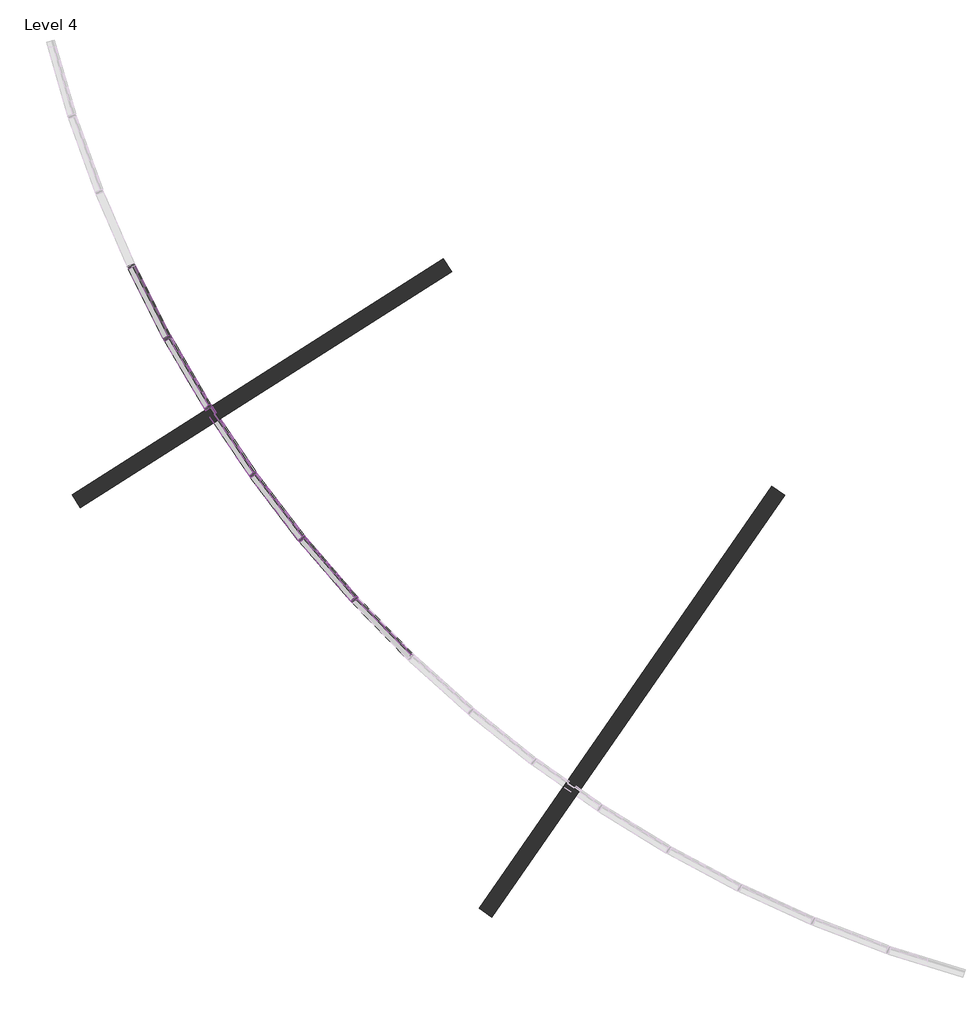
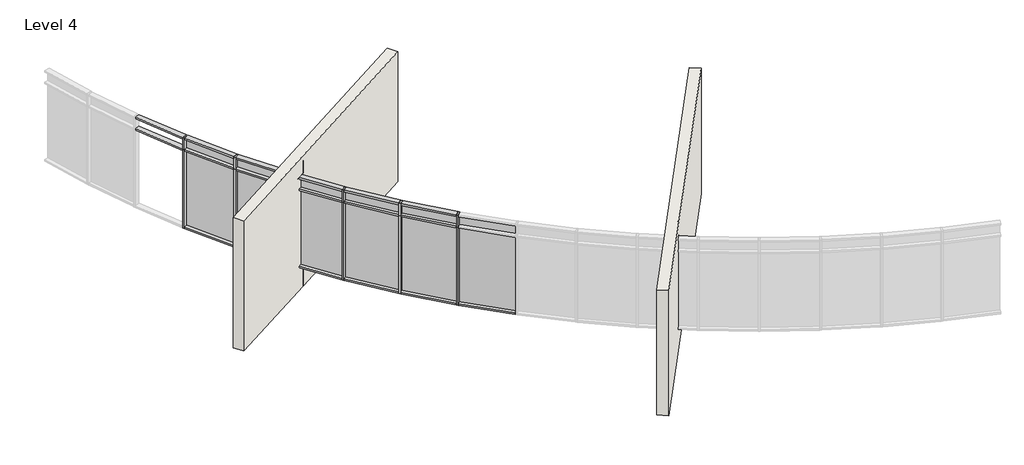
"""IFC4 building model written with IfcOpenShell, lengths in millimetres."""

import ifcopenshell
import ifcopenshell.guid

model = None  # the IFC model being written
_history = None  # IfcOwnerHistory: only IFC2X3 demands one
_inside = {}  # id of a spatial element -> (the spatial element, [elements in it])
_under = {}  # id of a project, library or spatial element -> (it, [spatial elements below it])
_declared = {}  # id of a project -> (the project, [libraries it declares])
_typed = {}  # id of a type object -> (the type object, [elements of that type])
_made_of = {}  # id of a material, layer set ... -> (it, [elements and type objects made of it])


def new_model(schema):
    """Start an empty IFC model of exactly this schema.

    Asked for "IFC4X3", IfcOpenShell would pick the latest addendum, in which some entities
    have other attributes; the version numbers below select the first issue.
    IFC2X3 requires an IfcOwnerHistory on every rooted entity: one is made here for all.
    """
    global model, _history
    if schema == "IFC4X3":
        model = ifcopenshell.file(schema_version=(4, 3, 0, 0))
    else:
        model = ifcopenshell.file(schema=schema)
    _inside.clear()
    _under.clear()
    _declared.clear()
    _typed.clear()
    _made_of.clear()
    _history = None
    if model.schema == "IFC2X3":
        org = make("IfcOrganization", Name="unknown")
        user = make(
            "IfcPersonAndOrganization",
            ThePerson=make("IfcPerson", FamilyName="unknown"),
            TheOrganization=org,
        )
        app = make(
            "IfcApplication",
            ApplicationDeveloper=org,
            Version="unknown",
            ApplicationFullName="unknown",
            ApplicationIdentifier="unknown",
        )
        _history = make(
            "IfcOwnerHistory",
            OwningUser=user,
            OwningApplication=app,
            ChangeAction="ADDED",
            CreationDate=0,
        )
    return model


def make(cls, **values):
    """One entity of the class cls with the attributes given. An attribute that is None is left unset."""
    return model.create_entity(
        cls, **{name: value for name, value in values.items() if value is not None}
    )


def rooted(cls, **values):
    """An entity with a GlobalId (a new one), such as an element, a storey or a relation."""
    return make(cls, GlobalId=ifcopenshell.guid.new(), OwnerHistory=_history, **values)


def si_unit(unit_type, name, prefix=None):
    """IfcSIUnit, for example si_unit("LENGTHUNIT", "METRE", prefix="MILLI")."""
    return make("IfcSIUnit", UnitType=unit_type, Prefix=prefix, Name=name)


def assignment(units):
    """IfcUnitAssignment: the units of a project."""
    return None if units is None else make("IfcUnitAssignment", Units=units)


def point(xyz):
    """IfcCartesianPoint."""
    return None if xyz is None else make("IfcCartesianPoint", Coordinates=xyz)


def direction(xyz):
    """IfcDirection."""
    return None if xyz is None else make("IfcDirection", DirectionRatios=xyz)


def frame(location, z_axis=None, x_axis=None):
    """IfcAxis2Placement3D, a coordinate frame: its origin and axes. An axis left out is left unset."""
    return make(
        "IfcAxis2Placement3D",
        Location=point(location),
        Axis=direction(z_axis),
        RefDirection=direction(x_axis),
    )


def origin():
    """The frame at (0, 0, 0) with its axes left unset."""
    return frame((0.0, 0.0, 0.0))


def origin_with_axes():
    """The frame at (0, 0, 0) with the z axis (0, 0, 1) and the x axis (1, 0, 0) written out."""
    return frame((0.0, 0.0, 0.0), z_axis=(0.0, 0.0, 1.0), x_axis=(1.0, 0.0, 0.0))


def place(relative_to, where):
    """IfcLocalPlacement: puts the frame where relative to a parent placement (None: the world)."""
    return make(
        "IfcLocalPlacement", PlacementRelTo=relative_to, RelativePlacement=where
    )


def context(
    kind, dimensions, precision=None, world=None, true_north=None, identifier=None
):
    """IfcGeometricRepresentationContext, for example the 3D "Model" context."""
    return make(
        "IfcGeometricRepresentationContext",
        ContextIdentifier=identifier,
        ContextType=kind,
        CoordinateSpaceDimension=dimensions,
        Precision=precision,
        WorldCoordinateSystem=world,
        TrueNorth=true_north,
    )


def project(units=None, contexts=None):
    """IfcProject with its units and contexts."""
    return rooted(
        "IfcProject",
        Name="project",
        RepresentationContexts=contexts,
        UnitsInContext=assignment(units),
    )


def spatial(cls, under=None, at=None, **own):
    """A site, building, storey or space (cls), placed at a placement, below another one or the project."""
    s = rooted(cls, ObjectPlacement=at, **own)
    if under is not None:
        _under.setdefault(under.id(), (under, []))[1].append(s)
    return s


def polyline(points):
    """IfcPolyline through the points."""
    return make("IfcPolyline", Points=[point(p) for p in points])


def circle_curve(where, radius):
    """IfcCircle in the frame where."""
    return make("IfcCircle", Position=where, Radius=radius)


def outline(outer, holes=None, kind="AREA"):
    """IfcArbitraryClosedProfileDef: a profile drawn as a closed curve; with holes, ...WithVoids."""
    if holes is None:
        return make("IfcArbitraryClosedProfileDef", ProfileType=kind, OuterCurve=outer)
    return make(
        "IfcArbitraryProfileDefWithVoids",
        ProfileType=kind,
        OuterCurve=outer,
        InnerCurves=holes,
    )


def extrude(swept, where, along, depth):
    """IfcExtrudedAreaSolid: the profile swept, set in the frame where, extruded along a direction by depth."""
    return make(
        "IfcExtrudedAreaSolid",
        SweptArea=swept,
        Position=where,
        ExtrudedDirection=direction(along),
        Depth=depth,
    )


def faces_of(points, faces, orient=None, outer=None):
    """IfcFace entities. A face is a list of loops; a loop is a list of indices into points, from 0.

    orient and outer hold one flag for each loop. By default every Orientation is true, the
    first loop of a face is its IfcFaceOuterBound and the others are IfcFaceBound.
    """
    made = []
    for i, loops in enumerate(faces):
        bounds = []
        for j, loop in enumerate(loops):
            is_outer = j == 0 if outer is None else outer[i][j]
            bounds.append(
                make(
                    "IfcFaceOuterBound" if is_outer else "IfcFaceBound",
                    Bound=make("IfcPolyLoop", Polygon=[points[k] for k in loop]),
                    Orientation=True if orient is None else orient[i][j],
                )
            )
        made.append(make("IfcFace", Bounds=bounds))
    return made


def faceted_brep(points, faces, orient=None, outer=None, voids=None):
    """IfcFacetedBrep: a solid bounded by flat faces; with voids (closed shells), ...WithVoids."""
    shared = [point(p) for p in points]
    hull = make("IfcClosedShell", CfsFaces=faces_of(shared, faces, orient, outer))
    if voids is None:
        return make("IfcFacetedBrep", Outer=hull)
    return make(
        "IfcFacetedBrepWithVoids",
        Outer=hull,
        Voids=[
            make(cls, CfsFaces=faces_of(shared, fs, o, b)) for cls, fs, o, b in voids
        ],
    )


def shape(context_of_items, identifier, shape_type, items):
    """IfcShapeRepresentation: the items that make up one representation, for example the "Body"."""
    return make(
        "IfcShapeRepresentation",
        ContextOfItems=context_of_items,
        RepresentationIdentifier=identifier,
        RepresentationType=shape_type,
        Items=items,
    )


def source(mapping_origin, context_of_items, identifier, shape_type, items):
    """IfcRepresentationMap: a shape defined once, which mapped items show again and again."""
    return make(
        "IfcRepresentationMap",
        MappingOrigin=mapping_origin,
        MappedRepresentation=shape(context_of_items, identifier, shape_type, items),
    )


def transform(
    local_origin,
    x_axis=None,
    y_axis=None,
    z_axis=None,
    scale=None,
    scale2=None,
    scale3=None,
    uniform=True,
):
    """IfcCartesianTransformationOperator3D, or its non-uniform kind. x_axis, y_axis, z_axis: its Axis1, 2, 3."""
    if uniform:
        return make(
            "IfcCartesianTransformationOperator3D",
            Axis1=direction(x_axis),
            Axis2=direction(y_axis),
            LocalOrigin=point(local_origin),
            Scale=scale,
            Axis3=direction(z_axis),
        )
    return make(
        "IfcCartesianTransformationOperator3DnonUniform",
        Axis1=direction(x_axis),
        Axis2=direction(y_axis),
        LocalOrigin=point(local_origin),
        Scale=scale,
        Axis3=direction(z_axis),
        Scale2=scale2,
        Scale3=scale3,
    )


def mapped(mapping_source, mapping_target):
    """IfcMappedItem: shows the shape of a source again, moved by a transform."""
    return make(
        "IfcMappedItem", MappingSource=mapping_source, MappingTarget=mapping_target
    )


def made_of(thing, what):
    """Note that an element or type object is made of a material, layer set ...; save() writes the relation."""
    if what is not None:
        _made_of.setdefault(what.id(), (what, []))[1].append(thing)
    return thing


def element(
    cls,
    number,
    at=None,
    inside=None,
    cuts=None,
    type_object=None,
    material=None,
    context=None,
    identifier="Body",
    shape_type=None,
    held_by="IfcProductDefinitionShape",
    body=None,
    shapes=None,
    **own,
):
    """One element of the class cls, such as IfcWall. Its Tag is "e" and its number.

    at: its placement. inside: the storey or other place that contains it. cuts: it is an
    opening in that element (IfcRelVoidsElement). A single representation is given by context,
    identifier, shape_type and body (its items); several are given by shapes. held_by: the class
    of the entity that holds the representations. save() writes the other relations.
    """
    e = rooted(cls, Tag="e%d" % number, ObjectPlacement=at, **own)
    if body is not None:
        shapes = [shape(context, identifier, shape_type, body)]
    if shapes is not None:
        e.Representation = make(held_by, Representations=shapes)
    if inside is not None:
        _inside.setdefault(inside.id(), (inside, []))[1].append(e)
    if cuts is not None:
        rooted(
            "IfcRelVoidsElement", RelatingBuildingElement=cuts, RelatedOpeningElement=e
        )
    if type_object is not None:
        _typed.setdefault(type_object.id(), (type_object, []))[1].append(e)
    return made_of(e, material)


def aggregate(whole, parts):
    """IfcRelAggregates: a whole, such as a stair, and the parts it consists of."""
    return rooted("IfcRelAggregates", RelatingObject=whole, RelatedObjects=parts)


def save(model, path):
    """Write the relations noted so far, then the file.

    IfcRelAggregates (storeys below a building ...), IfcRelContainedInSpatialStructure (elements
    in a storey), IfcRelDefinesByType, IfcRelAssociatesMaterial and IfcRelDeclares: one each for
    every whole, place, type object, material and project.
    """
    for whole, parts in _under.values():
        aggregate(whole, parts)
    for where, things in _inside.values():
        rooted(
            "IfcRelContainedInSpatialStructure",
            RelatedElements=things,
            RelatingStructure=where,
        )
    for kind, things in _typed.values():
        rooted("IfcRelDefinesByType", RelatedObjects=things, RelatingType=kind)
    for what, things in _made_of.values():
        rooted("IfcRelAssociatesMaterial", RelatedObjects=things, RelatingMaterial=what)
    for by, libraries in _declared.values():
        rooted("IfcRelDeclares", RelatingContext=by, RelatedDefinitions=libraries)
    model.write(path)


def plane_surface(at):
    """IfcPlane: the flat surface through the origin of the frame at, square to its z axis."""
    return make("IfcPlane", Position=at)


def cylinder_surface(at, radius):
    """IfcCylindricalSurface: all points at the distance radius from the z axis of the frame at."""
    return make("IfcCylindricalSurface", Position=at, Radius=radius)


def revolved_surface(curve, axis_point, axis_direction):
    """IfcSurfaceOfRevolution: the curve turned about the line through axis_point along axis_direction."""
    return make(
        "IfcSurfaceOfRevolution",
        SweptCurve=make("IfcArbitraryOpenProfileDef", ProfileType="CURVE", Curve=curve),
        AxisPosition=make("IfcAxis1Placement", Location=point(axis_point), Axis=direction(axis_direction)),
    )


def advanced_brep(points, edges, surfaces, faces):
    """IfcAdvancedBrep: a solid bounded by faces that lie on surfaces and meet in shared edges.

    An edge is (start, end): straight between two places in points (the first is 0);
    or (start, end, curve); or (start, end, curve, False) where it runs against its curve.
    A face is (place in surfaces, loops), or (place, loops, False) where it looks against
    its surface's normal. A loop lists edges by number (the first is 1), with a minus sign
    where the edge is run from its end to its start. The first loop is the outer one.
    """
    corners = [point(p) for p in points]
    vertices = [make("IfcVertexPoint", VertexGeometry=c) for c in corners]
    made = []
    for start, end, *more in edges:
        made.append(
            make(
                "IfcEdgeCurve",
                EdgeStart=vertices[start],
                EdgeEnd=vertices[end],
                EdgeGeometry=more[0] if more else make("IfcPolyline", Points=[corners[start], corners[end]]),
                SameSense=more[1] if len(more) > 1 else True,
            )
        )
    hull = []
    for where, loops, *sense in faces:
        bounds = []
        for j, loop in enumerate(loops):
            ring = [make("IfcOrientedEdge", EdgeElement=made[abs(k) - 1], Orientation=k > 0) for k in loop]
            bounds.append(
                make(
                    "IfcFaceOuterBound" if j == 0 else "IfcFaceBound",
                    Bound=make("IfcEdgeLoop", EdgeList=ring),
                    Orientation=True,
                )
            )
        hull.append(make("IfcAdvancedFace", Bounds=bounds, FaceSurface=surfaces[where], SameSense=sense[0] if sense else True))
    return make("IfcAdvancedBrep", Outer=make("IfcClosedShell", CfsFaces=hull))


def rectangular_mullion_50_x_150mm_6225e4e3(model_context):
    return source(origin(), model_context, "Body", "SweptSolid", [
        extrude(outline(polyline([(25.0, 75.0), (25.0, -75.0), (-25.0, -75.0), (-25.0, 75.0), (25.0, 75.0)])), frame((0.0, 0.0, -2400.0), z_axis=(0.0, 0.0, 1.0), x_axis=(1.0, 0.0, 0.0)), (0.0, 0.0, 1.0), 2400.0),
    ])


def rectangular_mullion_50_x_150mm_5f8c5138(model_context):
    return source(origin(), model_context, "Body", "SweptSolid", [
        extrude(outline(polyline([(0.0, 75.0), (0.0, -75.0), (-50.0, -75.0), (-50.0, 75.0), (0.0, 75.0)])), frame((0.0, 0.0, -1486.638566), z_axis=(0.0, 0.0, 1.0), x_axis=(1.0, 0.0, 0.0)), (0.0, 0.0, 1.0), 1486.638566),
    ])


def rectangular_mullion_50_x_150mm_aa73aa68(model_context):
    return source(origin(), model_context, "Body", "SweptSolid", [
        extrude(outline(polyline([(25.0, 75.0), (25.0, -75.0), (-25.0, -75.0), (-25.0, 75.0), (25.0, 75.0)])), frame((0.0, 0.0, -1486.638566), z_axis=(0.0, 0.0, 1.0), x_axis=(1.0, 0.0, 0.0)), (0.0, 0.0, 1.0), 1486.638566),
    ])


def rectangular_mullion_50_x_150mm_8e968590(model_context):
    return source(origin(), model_context, "Body", "SweptSolid", [
        extrude(outline(polyline([(25.0, 75.0), (25.0, -75.0), (-25.0, -75.0), (-25.0, 75.0), (25.0, 75.0)])), frame((0.0, 0.0, -377.1504642), z_axis=(0.0, 0.0, 1.0), x_axis=(1.0, 0.0, 0.0)), (0.0, 0.0, 1.0), 377.1504642),
    ])


def system_panel_glazed_01d78c24(model_context):
    return source(origin(), model_context, "Body", "SweptSolid", [
        extrude(outline(polyline([(743.319283, 24.5), (-743.319283, 24.5), (-743.319283, 49.5), (743.319283, 49.5), (743.319283, 24.5)])), origin_with_axes(), (0.0, 0.0, 1.0), 2325.0),
    ])


def system_panel_glazed_a4027662(model_context):
    return source(origin(), model_context, "Body", "SweptSolid", [
        extrude(outline(polyline([(743.319283, 24.5), (-743.319283, 24.5), (-743.319283, 49.5), (743.319283, 49.5), (743.319283, 24.5)])), origin_with_axes(), (0.0, 0.0, 1.0), 302.1504642),
    ])


model = new_model("IFC4")

# Units and contexts
model_context = context("Model", 3, world=origin())
ifc_project = project(units=[si_unit("LENGTHUNIT", "METRE", prefix="MILLI")], contexts=[model_context])

# Site, building, storey
site = spatial("IfcSite", under=ifc_project)
building = spatial("IfcBuilding", under=site)
storey = spatial("IfcBuildingStorey", under=building, Name="Level 4", Elevation=10600.0)

# Members
placement = place(None, origin())
rectangular_mullion_50_x_150mm_shape = rectangular_mullion_50_x_150mm_6225e4e3(model_context)
element("IfcMember", 1, ObjectType="Rectangular Mullion : 50 x 150mm", at=placement, inside=storey, context=model_context, shape_type="MappedRepresentation", body=[
    mapped(rectangular_mullion_50_x_150mm_shape, transform((-31448.1927472, -64596.6801306, 11284.9990095), x_axis=(0.4229359429583183, -0.9061595820571331, 0.0), y_axis=(-0.9061595820571331, -0.4229359429583183, 0.0), z_axis=(0.0, 0.0, -1.0))),
])
element("IfcMember", 2, ObjectType="Rectangular Mullion : 50 x 150mm", at=placement, inside=storey, context=model_context, shape_type="MappedRepresentation", body=[
    mapped(rectangular_mullion_50_x_150mm_shape, transform((-30755.8065222, -65968.4889358, 11284.9990095), x_axis=(0.47780829516577433, -0.8784641330588155, 0.0), y_axis=(-0.8784641330588155, -0.47780829516577433, 0.0), z_axis=(0.0, 0.0, -1.0))),
])
element("IfcMember", 3, ObjectType="Rectangular Mullion : 50 x 150mm", at=placement, inside=storey, context=model_context, shape_type="MappedRepresentation", body=[
    mapped(rectangular_mullion_50_x_150mm_shape, transform((-29980.4490759, -67295.168593, 11284.9990095), x_axis=(0.5308754814550768, -0.8474498352055067, 0.0), y_axis=(-0.8474498352055067, -0.5308754814550768, 0.0), z_axis=(0.0, 0.0, -1.0))),
])
element("IfcMember", 4, ObjectType="Rectangular Mullion : 50 x 150mm", at=placement, inside=storey, context=model_context, shape_type="MappedRepresentation", body=[
    mapped(rectangular_mullion_50_x_150mm_shape, transform((-29125.0497186, -68571.7068894, 11284.9990095), x_axis=(0.581937013310164, -0.8132338609155708, 0.0), y_axis=(-0.8132338609155708, -0.581937013310164, 0.0), z_axis=(0.0, 0.0, -1.0))),
])
element("IfcMember", 5, ObjectType="Rectangular Mullion : 50 x 150mm", at=placement, inside=storey, context=model_context, shape_type="MappedRepresentation", body=[
    mapped(rectangular_mullion_50_x_150mm_shape, transform((-28192.8401603, -69793.2810467, 11284.9990095), x_axis=(0.6307999796033567, -0.7759454785823583, 0.0), y_axis=(-0.7759454785823583, -0.6307999796033567, 0.0), z_axis=(0.0, 0.0, -1.0))),
])
element("IfcMember", 6, ObjectType="Rectangular Mullion : 50 x 150mm", at=placement, inside=storey, context=model_context, shape_type="MappedRepresentation", body=[
    mapped(rectangular_mullion_50_x_150mm_shape, transform((-27187.3423006, -70955.275942, 11284.9990095), x_axis=(0.6772797754161035, -0.7357255641965368, 0.0), y_axis=(-0.7357255641965368, -0.6772797754161035, 0.0), z_axis=(0.0, 0.0, -1.0))),
])
element("IfcMember", 7, ObjectType="Rectangular Mullion : 50 x 150mm", at=placement, inside=storey, context=model_context, shape_type="MappedRepresentation", body=[
    mapped(rectangular_mullion_50_x_150mm_shape, transform((-30755.8065222, -65968.4889358, 11284.9990095), x_axis=(0.47780829516577433, -0.8784641330588155, 0.0), y_axis=(-0.8784641330588155, -0.47780829516577433, 0.0), z_axis=(0.0, 0.0, -1.0))),
])
element("IfcMember", 8, ObjectType="Rectangular Mullion : 50 x 150mm", at=placement, inside=storey, context=model_context, shape_type="MappedRepresentation", body=[
    mapped(rectangular_mullion_50_x_150mm_shape, transform((-29980.4490759, -67295.168593, 11284.9990095), x_axis=(0.5308754814550768, -0.8474498352055067, 0.0), y_axis=(-0.8474498352055067, -0.5308754814550768, 0.0), z_axis=(0.0, 0.0, -1.0))),
])
element("IfcMember", 9, ObjectType="Rectangular Mullion : 50 x 150mm", at=placement, inside=storey, context=model_context, shape_type="MappedRepresentation", body=[
    mapped(rectangular_mullion_50_x_150mm_shape, transform((-29125.0497186, -68571.7068894, 11284.9990095), x_axis=(0.581937013310164, -0.8132338609155708, 0.0), y_axis=(-0.8132338609155708, -0.581937013310164, 0.0), z_axis=(0.0, 0.0, -1.0))),
])
element("IfcMember", 10, ObjectType="Rectangular Mullion : 50 x 150mm", at=placement, inside=storey, context=model_context, shape_type="MappedRepresentation", body=[
    mapped(rectangular_mullion_50_x_150mm_shape, transform((-28192.8401603, -69793.2810467, 11284.9990095), x_axis=(0.6307999796033567, -0.7759454785823583, 0.0), y_axis=(-0.7759454785823583, -0.6307999796033567, 0.0), z_axis=(0.0, 0.0, -1.0))),
])
element("IfcMember", 11, ObjectType="Rectangular Mullion : 50 x 150mm", at=placement, inside=storey, context=model_context, shape_type="MappedRepresentation", body=[
    mapped(rectangular_mullion_50_x_150mm_shape, transform((-27187.3423006, -70955.275942, 11284.9990095), x_axis=(0.6772797754161035, -0.7357255641965368, 0.0), y_axis=(-0.7357255641965368, -0.6772797754161035, 0.0), z_axis=(0.0, 0.0, -1.0))),
])
rectangular_mullion_50_x_150mm_2_shape = rectangular_mullion_50_x_150mm_5f8c5138(model_context)
element("IfcMember", 12, ObjectType="Rectangular Mullion : 50 x 150mm", at=placement, inside=storey, context=model_context, shape_type="MappedRepresentation", body=[
    mapped(rectangular_mullion_50_x_150mm_2_shape, transform((-31436.9281232, -64618.9984694, 11284.9990095), x_axis=(0.0, 0.0, -1.0), y_axis=(-0.8927335520174858, -0.4505849588060425, 0.0), z_axis=(-0.45058495880604243, 0.8927335520174857, 0.0))),
])
element("IfcMember", 13, ObjectType="Rectangular Mullion : 50 x 150mm", at=placement, inside=storey, context=model_context, shape_type="MappedRepresentation", body=[
    mapped(rectangular_mullion_50_x_150mm_2_shape, transform((-30743.1920164, -65990.0730559, 11284.9990095), x_axis=(0.0, 0.0, -1.0), y_axis=(-0.8633648058773548, -0.5045802334340472, 0.0), z_axis=(-0.5045802334340472, 0.8633648058773548, 0.0))),
])
element("IfcMember", 14, ObjectType="Rectangular Mullion : 50 x 150mm", at=placement, inside=storey, context=model_context, shape_type="MappedRepresentation", body=[
    mapped(rectangular_mullion_50_x_150mm_2_shape, transform((-29966.5323459, -67315.9369494, 11284.9990095), x_axis=(0.0, 0.0, -1.0), y_axis=(-0.8307342563355856, -0.5566691974149114, 0.0), z_axis=(-0.5566691974149114, 0.8307342563355856, 0.0))),
])
element("IfcMember", 15, ObjectType="Rectangular Mullion : 50 x 150mm", at=placement, inside=storey, context=model_context, shape_type="MappedRepresentation", body=[
    mapped(rectangular_mullion_50_x_150mm_2_shape, transform((-29109.8833422, -68591.5810189, 11284.9990095), x_axis=(0.0, 0.0, -1.0), y_axis=(-0.7949651820303252, -0.6066550579690999, 0.0), z_axis=(-0.6066550579690999, 0.7949651820303252, 0.0))),
])
element("IfcMember", 16, ObjectType="Rectangular Mullion : 50 x 150mm", at=placement, inside=storey, context=model_context, shape_type="MappedRepresentation", body=[
    mapped(rectangular_mullion_50_x_150mm_2_shape, transform((-28176.4814361, -69812.1858647, 11284.9990095), x_axis=(0.0, 0.0, -1.0), y_axis=(-0.7561927189868707, -0.6543489678690139, 0.0), z_axis=(-0.6543489678690138, 0.7561927189868706, 0.0))),
])
element("IfcMember", 17, ObjectType="Rectangular Mullion : 50 x 150mm", at=placement, inside=storey, context=model_context, shape_type="MappedRepresentation", body=[
    mapped(rectangular_mullion_50_x_150mm_2_shape, transform((-27169.8530322, -70973.1400258, 11284.9990095), x_axis=(0.0, 0.0, -1.0), y_axis=(-0.7145633500720007, -0.6995707389062805, 0.0), z_axis=(-0.6995707389062805, 0.7145633500720007, 0.0))),
])
element("IfcMember", 18, ObjectType="Rectangular Mullion : 50 x 150mm", at=placement, inside=storey, context=model_context, shape_type="MappedRepresentation", body=[
    mapped(rectangular_mullion_50_x_150mm_2_shape, transform((-31436.9281232, -64618.9984694, 11284.9990095), x_axis=(0.0, 0.0, -1.0), y_axis=(-0.8927335520174858, -0.4505849588060425, 0.0), z_axis=(-0.45058495880604243, 0.8927335520174857, 0.0))),
])
element("IfcMember", 19, ObjectType="Rectangular Mullion : 50 x 150mm", at=placement, inside=storey, context=model_context, shape_type="MappedRepresentation", body=[
    mapped(rectangular_mullion_50_x_150mm_2_shape, transform((-30743.1920164, -65990.0730559, 11284.9990095), x_axis=(0.0, 0.0, -1.0), y_axis=(-0.8633648058773548, -0.5045802334340472, 0.0), z_axis=(-0.5045802334340472, 0.8633648058773548, 0.0))),
])
element("IfcMember", 20, ObjectType="Rectangular Mullion : 50 x 150mm", at=placement, inside=storey, context=model_context, shape_type="MappedRepresentation", body=[
    mapped(rectangular_mullion_50_x_150mm_2_shape, transform((-29966.5323459, -67315.9369494, 11284.9990095), x_axis=(0.0, 0.0, -1.0), y_axis=(-0.8307342563355856, -0.5566691974149114, 0.0), z_axis=(-0.5566691974149114, 0.8307342563355856, 0.0))),
])
element("IfcMember", 21, ObjectType="Rectangular Mullion : 50 x 150mm", at=placement, inside=storey, context=model_context, shape_type="MappedRepresentation", body=[
    mapped(rectangular_mullion_50_x_150mm_2_shape, transform((-29109.8833422, -68591.5810189, 11284.9990095), x_axis=(0.0, 0.0, -1.0), y_axis=(-0.7949651820303252, -0.6066550579690999, 0.0), z_axis=(-0.6066550579690999, 0.7949651820303252, 0.0))),
])
element("IfcMember", 22, ObjectType="Rectangular Mullion : 50 x 150mm", at=placement, inside=storey, context=model_context, shape_type="MappedRepresentation", body=[
    mapped(rectangular_mullion_50_x_150mm_2_shape, transform((-28176.4814361, -69812.1858647, 11284.9990095), x_axis=(0.0, 0.0, -1.0), y_axis=(-0.7561927189868707, -0.6543489678690139, 0.0), z_axis=(-0.6543489678690138, 0.7561927189868706, 0.0))),
])
element("IfcMember", 23, ObjectType="Rectangular Mullion : 50 x 150mm", at=placement, inside=storey, context=model_context, shape_type="MappedRepresentation", body=[
    mapped(rectangular_mullion_50_x_150mm_2_shape, transform((-27169.8530322, -70973.1400258, 11284.9990095), x_axis=(0.0, 0.0, -1.0), y_axis=(-0.7145633500720007, -0.6995707389062805, 0.0), z_axis=(-0.6995707389062805, 0.7145633500720007, 0.0))),
])
element("IfcMember", 24, ObjectType="Rectangular Mullion : 50 x 150mm", at=placement, inside=storey, context=model_context, shape_type="MappedRepresentation", body=[
    mapped(rectangular_mullion_50_x_150mm_2_shape, transform((-31458.0649314, -64573.7118921, 14062.1494736), x_axis=(0.0, 0.0, 1.0), y_axis=(-0.9187295392532697, -0.39488736837669913, 0.0), z_axis=(0.3948873683766991, -0.9187295392532696, 0.0))),
])
element("IfcMember", 25, ObjectType="Rectangular Mullion : 50 x 150mm", at=placement, inside=storey, context=model_context, shape_type="MappedRepresentation", body=[
    mapped(rectangular_mullion_50_x_150mm_2_shape, transform((-30767.0711462, -65946.170597, 14062.1494736), x_axis=(0.0, 0.0, 1.0), y_axis=(-0.8927335520174858, -0.45058495880604255, 0.0), z_axis=(0.4505849588060425, -0.8927335520174857, 0.0))),
])
element("IfcMember", 26, ObjectType="Rectangular Mullion : 50 x 150mm", at=placement, inside=storey, context=model_context, shape_type="MappedRepresentation", body=[
    mapped(rectangular_mullion_50_x_150mm_2_shape, transform((-29993.0635817, -67273.5844729, 14062.1494736), x_axis=(0.0, 0.0, 1.0), y_axis=(-0.8633648058773554, -0.5045802334340462, 0.0), z_axis=(0.5045802334340462, -0.8633648058773554, 0.0))),
])
element("IfcMember", 27, ObjectType="Rectangular Mullion : 50 x 150mm", at=placement, inside=storey, context=model_context, shape_type="MappedRepresentation", body=[
    mapped(rectangular_mullion_50_x_150mm_2_shape, transform((-29138.9664486, -68550.938533, 14062.1494736), x_axis=(0.0, 0.0, 1.0), y_axis=(-0.8307342563355847, -0.5566691974149126, 0.0), z_axis=(0.5566691974149126, -0.8307342563355847, 0.0))),
])
element("IfcMember", 28, ObjectType="Rectangular Mullion : 50 x 150mm", at=placement, inside=storey, context=model_context, shape_type="MappedRepresentation", body=[
    mapped(rectangular_mullion_50_x_150mm_2_shape, transform((-28208.0065367, -69773.4069172, 14062.1494736), x_axis=(0.0, 0.0, 1.0), y_axis=(-0.7949651820303252, -0.6066550579690999, 0.0), z_axis=(0.6066550579690999, -0.7949651820303252, 0.0))),
])
element("IfcMember", 29, ObjectType="Rectangular Mullion : 50 x 150mm", at=placement, inside=storey, context=model_context, shape_type="MappedRepresentation", body=[
    mapped(rectangular_mullion_50_x_150mm_2_shape, transform((-27203.7010248, -70936.3711241, 14062.1494736), x_axis=(0.0, 0.0, 1.0), y_axis=(-0.7561927189868703, -0.6543489678690143, 0.0), z_axis=(0.6543489678690143, -0.7561927189868703, 0.0))),
])
element("IfcMember", 30, ObjectType="Rectangular Mullion : 50 x 150mm", at=placement, inside=storey, context=model_context, shape_type="MappedRepresentation", body=[
    mapped(rectangular_mullion_50_x_150mm_2_shape, transform((-31458.0649314, -64573.7118921, 14062.1494736), x_axis=(0.0, 0.0, 1.0), y_axis=(-0.9187295392532697, -0.39488736837669913, 0.0), z_axis=(0.3948873683766991, -0.9187295392532696, 0.0))),
])
element("IfcMember", 31, ObjectType="Rectangular Mullion : 50 x 150mm", at=placement, inside=storey, context=model_context, shape_type="MappedRepresentation", body=[
    mapped(rectangular_mullion_50_x_150mm_2_shape, transform((-30767.0711462, -65946.170597, 14062.1494736), x_axis=(0.0, 0.0, 1.0), y_axis=(-0.8927335520174858, -0.45058495880604255, 0.0), z_axis=(0.4505849588060425, -0.8927335520174857, 0.0))),
])
element("IfcMember", 32, ObjectType="Rectangular Mullion : 50 x 150mm", at=placement, inside=storey, context=model_context, shape_type="MappedRepresentation", body=[
    mapped(rectangular_mullion_50_x_150mm_2_shape, transform((-29993.0635817, -67273.5844729, 14062.1494736), x_axis=(0.0, 0.0, 1.0), y_axis=(-0.8633648058773554, -0.5045802334340462, 0.0), z_axis=(0.5045802334340462, -0.8633648058773554, 0.0))),
])
element("IfcMember", 33, ObjectType="Rectangular Mullion : 50 x 150mm", at=placement, inside=storey, context=model_context, shape_type="MappedRepresentation", body=[
    mapped(rectangular_mullion_50_x_150mm_2_shape, transform((-29138.9664486, -68550.938533, 14062.1494736), x_axis=(0.0, 0.0, 1.0), y_axis=(-0.8307342563355847, -0.5566691974149126, 0.0), z_axis=(0.5566691974149126, -0.8307342563355847, 0.0))),
])
element("IfcMember", 34, ObjectType="Rectangular Mullion : 50 x 150mm", at=placement, inside=storey, context=model_context, shape_type="MappedRepresentation", body=[
    mapped(rectangular_mullion_50_x_150mm_2_shape, transform((-28208.0065367, -69773.4069172, 14062.1494736), x_axis=(0.0, 0.0, 1.0), y_axis=(-0.7949651820303252, -0.6066550579690999, 0.0), z_axis=(0.6066550579690999, -0.7949651820303252, 0.0))),
])
element("IfcMember", 35, ObjectType="Rectangular Mullion : 50 x 150mm", at=placement, inside=storey, context=model_context, shape_type="MappedRepresentation", body=[
    mapped(rectangular_mullion_50_x_150mm_2_shape, transform((-27203.7010248, -70936.3711241, 14062.1494736), x_axis=(0.0, 0.0, 1.0), y_axis=(-0.7561927189868703, -0.6543489678690143, 0.0), z_axis=(0.6543489678690143, -0.7561927189868703, 0.0))),
])
rectangular_mullion_50_x_150mm_3_shape = rectangular_mullion_50_x_150mm_aa73aa68(model_context)
element("IfcMember", 36, ObjectType="Rectangular Mullion : 50 x 150mm", at=placement, inside=storey, context=model_context, shape_type="MappedRepresentation", body=[
    mapped(rectangular_mullion_50_x_150mm_3_shape, transform((-31458.0649314, -64573.7118921, 13684.9990095), x_axis=(0.0, 0.0, 1.0), y_axis=(-0.9187295392532695, -0.3948873683766994, 0.0), z_axis=(0.3948873683766994, -0.9187295392532695, 0.0))),
])
element("IfcMember", 37, ObjectType="Rectangular Mullion : 50 x 150mm", at=placement, inside=storey, context=model_context, shape_type="MappedRepresentation", body=[
    mapped(rectangular_mullion_50_x_150mm_3_shape, transform((-30767.0711462, -65946.170597, 13684.9990095), x_axis=(0.0, 0.0, 1.0), y_axis=(-0.8927335520174858, -0.4505849588060425, 0.0), z_axis=(0.45058495880604243, -0.8927335520174857, 0.0))),
])
element("IfcMember", 38, ObjectType="Rectangular Mullion : 50 x 150mm", at=placement, inside=storey, context=model_context, shape_type="MappedRepresentation", body=[
    mapped(rectangular_mullion_50_x_150mm_3_shape, transform((-29993.0635817, -67273.5844729, 13684.9990095), x_axis=(0.0, 0.0, 1.0), y_axis=(-0.8633648058773551, -0.5045802334340466, 0.0), z_axis=(0.5045802334340466, -0.8633648058773551, 0.0))),
])
element("IfcMember", 39, ObjectType="Rectangular Mullion : 50 x 150mm", at=placement, inside=storey, context=model_context, shape_type="MappedRepresentation", body=[
    mapped(rectangular_mullion_50_x_150mm_3_shape, transform((-29138.9664486, -68550.938533, 13684.9990095), x_axis=(0.0, 0.0, 1.0), y_axis=(-0.8307342563355847, -0.5566691974149126, 0.0), z_axis=(0.5566691974149126, -0.8307342563355847, 0.0))),
])
element("IfcMember", 40, ObjectType="Rectangular Mullion : 50 x 150mm", at=placement, inside=storey, context=model_context, shape_type="MappedRepresentation", body=[
    mapped(rectangular_mullion_50_x_150mm_3_shape, transform((-28208.0065367, -69773.4069172, 13684.9990095), x_axis=(0.0, 0.0, 1.0), y_axis=(-0.7949651820303252, -0.6066550579690999, 0.0), z_axis=(0.6066550579690999, -0.7949651820303252, 0.0))),
])
element("IfcMember", 41, ObjectType="Rectangular Mullion : 50 x 150mm", at=placement, inside=storey, context=model_context, shape_type="MappedRepresentation", body=[
    mapped(rectangular_mullion_50_x_150mm_3_shape, transform((-27203.7010248, -70936.3711241, 13684.9990095), x_axis=(0.0, 0.0, 1.0), y_axis=(-0.7561927189868692, -0.6543489678690154, 0.0), z_axis=(0.6543489678690154, -0.7561927189868692, 0.0))),
])
element("IfcMember", 42, ObjectType="Rectangular Mullion : 50 x 150mm", at=placement, inside=storey, context=model_context, shape_type="MappedRepresentation", body=[
    mapped(rectangular_mullion_50_x_150mm_3_shape, transform((-30767.0711462, -65946.170597, 13684.9990095), x_axis=(0.0, 0.0, 1.0), y_axis=(-0.8927335520174858, -0.4505849588060425, 0.0), z_axis=(0.45058495880604243, -0.8927335520174857, 0.0))),
])
element("IfcMember", 43, ObjectType="Rectangular Mullion : 50 x 150mm", at=placement, inside=storey, context=model_context, shape_type="MappedRepresentation", body=[
    mapped(rectangular_mullion_50_x_150mm_3_shape, transform((-29993.0635817, -67273.5844729, 13684.9990095), x_axis=(0.0, 0.0, 1.0), y_axis=(-0.8633648058773551, -0.5045802334340466, 0.0), z_axis=(0.5045802334340466, -0.8633648058773551, 0.0))),
])
element("IfcMember", 44, ObjectType="Rectangular Mullion : 50 x 150mm", at=placement, inside=storey, context=model_context, shape_type="MappedRepresentation", body=[
    mapped(rectangular_mullion_50_x_150mm_3_shape, transform((-29138.9664486, -68550.938533, 13684.9990095), x_axis=(0.0, 0.0, 1.0), y_axis=(-0.8307342563355847, -0.5566691974149126, 0.0), z_axis=(0.5566691974149126, -0.8307342563355847, 0.0))),
])
element("IfcMember", 45, ObjectType="Rectangular Mullion : 50 x 150mm", at=placement, inside=storey, context=model_context, shape_type="MappedRepresentation", body=[
    mapped(rectangular_mullion_50_x_150mm_3_shape, transform((-28208.0065367, -69773.4069172, 13684.9990095), x_axis=(0.0, 0.0, 1.0), y_axis=(-0.7949651820303252, -0.6066550579690999, 0.0), z_axis=(0.6066550579690999, -0.7949651820303252, 0.0))),
])
element("IfcMember", 46, ObjectType="Rectangular Mullion : 50 x 150mm", at=placement, inside=storey, context=model_context, shape_type="MappedRepresentation", body=[
    mapped(rectangular_mullion_50_x_150mm_3_shape, transform((-27203.7010248, -70936.3711241, 13684.9990095), x_axis=(0.0, 0.0, 1.0), y_axis=(-0.7561927189868692, -0.6543489678690154, 0.0), z_axis=(0.6543489678690154, -0.7561927189868692, 0.0))),
])
rectangular_mullion_50_x_150mm_4_shape = rectangular_mullion_50_x_150mm_8e968590(model_context)
element("IfcMember", 47, ObjectType="Rectangular Mullion : 50 x 150mm", at=placement, inside=storey, context=model_context, shape_type="MappedRepresentation", body=[
    mapped(rectangular_mullion_50_x_150mm_4_shape, transform((-31448.1927472, -64596.6801306, 13684.9990095), x_axis=(0.42293594295831755, -0.9061595820571335, 0.0), y_axis=(-0.9061595820571335, -0.42293594295831755, 0.0), z_axis=(0.0, 0.0, -1.0))),
])
element("IfcMember", 48, ObjectType="Rectangular Mullion : 50 x 150mm", at=placement, inside=storey, context=model_context, shape_type="MappedRepresentation", body=[
    mapped(rectangular_mullion_50_x_150mm_4_shape, transform((-30755.8065222, -65968.4889358, 13684.9990095), x_axis=(0.47780829516577317, -0.8784641330588161, 0.0), y_axis=(-0.8784641330588161, -0.47780829516577317, 0.0), z_axis=(0.0, 0.0, -1.0))),
])
element("IfcMember", 49, ObjectType="Rectangular Mullion : 50 x 150mm", at=placement, inside=storey, context=model_context, shape_type="MappedRepresentation", body=[
    mapped(rectangular_mullion_50_x_150mm_4_shape, transform((-29980.4490759, -67295.168593, 13684.9990095), x_axis=(0.5308754814550768, -0.8474498352055067, 0.0), y_axis=(-0.8474498352055067, -0.5308754814550768, 0.0), z_axis=(0.0, 0.0, -1.0))),
])
element("IfcMember", 50, ObjectType="Rectangular Mullion : 50 x 150mm", at=placement, inside=storey, context=model_context, shape_type="MappedRepresentation", body=[
    mapped(rectangular_mullion_50_x_150mm_4_shape, transform((-29125.0497186, -68571.7068894, 13684.9990095), x_axis=(0.581937013310164, -0.8132338609155708, 0.0), y_axis=(-0.8132338609155708, -0.581937013310164, 0.0), z_axis=(0.0, 0.0, -1.0))),
])
element("IfcMember", 51, ObjectType="Rectangular Mullion : 50 x 150mm", at=placement, inside=storey, context=model_context, shape_type="MappedRepresentation", body=[
    mapped(rectangular_mullion_50_x_150mm_4_shape, transform((-28192.8401603, -69793.2810467, 13684.9990095), x_axis=(0.6307999796033567, -0.7759454785823583, 0.0), y_axis=(-0.7759454785823583, -0.6307999796033567, 0.0), z_axis=(0.0, 0.0, -1.0))),
])
element("IfcMember", 52, ObjectType="Rectangular Mullion : 50 x 150mm", at=placement, inside=storey, context=model_context, shape_type="MappedRepresentation", body=[
    mapped(rectangular_mullion_50_x_150mm_4_shape, transform((-27187.3423006, -70955.275942, 13684.9990095), x_axis=(0.6772797754161038, -0.7357255641965365, 0.0), y_axis=(-0.7357255641965365, -0.6772797754161038, 0.0), z_axis=(0.0, 0.0, -1.0))),
])
element("IfcMember", 53, ObjectType="Rectangular Mullion : 50 x 150mm", at=placement, inside=storey, context=model_context, shape_type="MappedRepresentation", body=[
    mapped(rectangular_mullion_50_x_150mm_4_shape, transform((-30755.8065222, -65968.4889358, 13684.9990095), x_axis=(0.47780829516577317, -0.8784641330588161, 0.0), y_axis=(-0.8784641330588161, -0.47780829516577317, 0.0), z_axis=(0.0, 0.0, -1.0))),
])
element("IfcMember", 54, ObjectType="Rectangular Mullion : 50 x 150mm", at=placement, inside=storey, context=model_context, shape_type="MappedRepresentation", body=[
    mapped(rectangular_mullion_50_x_150mm_4_shape, transform((-29980.4490759, -67295.168593, 13684.9990095), x_axis=(0.5308754814550768, -0.8474498352055067, 0.0), y_axis=(-0.8474498352055067, -0.5308754814550768, 0.0), z_axis=(0.0, 0.0, -1.0))),
])
element("IfcMember", 55, ObjectType="Rectangular Mullion : 50 x 150mm", at=placement, inside=storey, context=model_context, shape_type="MappedRepresentation", body=[
    mapped(rectangular_mullion_50_x_150mm_4_shape, transform((-29125.0497186, -68571.7068894, 13684.9990095), x_axis=(0.581937013310164, -0.8132338609155708, 0.0), y_axis=(-0.8132338609155708, -0.581937013310164, 0.0), z_axis=(0.0, 0.0, -1.0))),
])
element("IfcMember", 56, ObjectType="Rectangular Mullion : 50 x 150mm", at=placement, inside=storey, context=model_context, shape_type="MappedRepresentation", body=[
    mapped(rectangular_mullion_50_x_150mm_4_shape, transform((-28192.8401603, -69793.2810467, 13684.9990095), x_axis=(0.6307999796033567, -0.7759454785823583, 0.0), y_axis=(-0.7759454785823583, -0.6307999796033567, 0.0), z_axis=(0.0, 0.0, -1.0))),
])
element("IfcMember", 57, ObjectType="Rectangular Mullion : 50 x 150mm", at=placement, inside=storey, context=model_context, shape_type="MappedRepresentation", body=[
    mapped(rectangular_mullion_50_x_150mm_4_shape, transform((-27187.3423006, -70955.275942, 13684.9990095), x_axis=(0.6772797754161038, -0.7357255641965365, 0.0), y_axis=(-0.7357255641965365, -0.6772797754161038, 0.0), z_axis=(0.0, 0.0, -1.0))),
])

# Plates
system_panel_glazed_shape = system_panel_glazed_01d78c24(model_context)
element("IfcPlate", 58, ObjectType="System Panel : Glazed", at=placement, inside=storey, context=model_context, shape_type="MappedRepresentation", body=[
    mapped(system_panel_glazed_shape, transform((-31101.9996347, -65282.5845332, 11334.9990095), x_axis=(0.45058495880604243, -0.8927335520174858, 0.0), y_axis=(0.8927335520174858, 0.45058495880604243, 0.0), z_axis=(0.0, 0.0, 1.0))),
])
element("IfcPlate", 59, ObjectType="System Panel : Glazed", at=placement, inside=storey, context=model_context, shape_type="MappedRepresentation", body=[
    mapped(system_panel_glazed_shape, transform((-30368.127799, -66631.8287644, 11334.9990095), x_axis=(0.5045802334340459, -0.8633648058773555, 0.0), y_axis=(0.8633648058773555, 0.5045802334340459, 0.0), z_axis=(0.0, 0.0, 1.0))),
])
element("IfcPlate", 60, ObjectType="System Panel : Glazed", at=placement, inside=storey, context=model_context, shape_type="MappedRepresentation", body=[
    mapped(system_panel_glazed_shape, transform((-29552.7493972, -67933.4377412, 11334.9990095), x_axis=(0.5566691974149126, -0.8307342563355848, 0.0), y_axis=(0.8307342563355848, 0.5566691974149126, 0.0), z_axis=(0.0, 0.0, 1.0))),
])
element("IfcPlate", 61, ObjectType="System Panel : Glazed", at=placement, inside=storey, context=model_context, shape_type="MappedRepresentation", body=[
    mapped(system_panel_glazed_shape, transform((-28658.9449395, -69182.493968, 11334.9990095), x_axis=(0.6066550579690999, -0.7949651820303252, 0.0), y_axis=(0.7949651820303252, 0.6066550579690999, 0.0), z_axis=(0.0, 0.0, 1.0))),
])
element("IfcPlate", 62, ObjectType="System Panel : Glazed", at=placement, inside=storey, context=model_context, shape_type="MappedRepresentation", body=[
    mapped(system_panel_glazed_shape, transform((-27690.0912305, -70374.2784944, 11334.9990095), x_axis=(0.6543489678690143, -0.7561927189868703, 0.0), y_axis=(0.7561927189868703, 0.6543489678690143, 0.0), z_axis=(0.0, 0.0, 1.0))),
])
element("IfcPlate", 63, ObjectType="System Panel : Glazed", at=placement, inside=storey, context=model_context, shape_type="MappedRepresentation", body=[
    mapped(system_panel_glazed_shape, transform((-26649.8486121, -71504.2887428, 11334.9990095), x_axis=(0.6995707389062805, -0.7145633500720009, 0.0), y_axis=(0.7145633500720009, 0.6995707389062805, 0.0), z_axis=(0.0, 0.0, 1.0))),
])
element("IfcPlate", 64, ObjectType="System Panel : Glazed", at=placement, inside=storey, context=model_context, shape_type="MappedRepresentation", body=[
    mapped(system_panel_glazed_shape, transform((-31101.9996347, -65282.5845332, 11334.9990095), x_axis=(0.45058495880604243, -0.8927335520174858, 0.0), y_axis=(0.8927335520174858, 0.45058495880604243, 0.0), z_axis=(0.0, 0.0, 1.0))),
])
element("IfcPlate", 65, ObjectType="System Panel : Glazed", at=placement, inside=storey, context=model_context, shape_type="MappedRepresentation", body=[
    mapped(system_panel_glazed_shape, transform((-30368.127799, -66631.8287644, 11334.9990095), x_axis=(0.5045802334340459, -0.8633648058773555, 0.0), y_axis=(0.8633648058773555, 0.5045802334340459, 0.0), z_axis=(0.0, 0.0, 1.0))),
])
element("IfcPlate", 66, ObjectType="System Panel : Glazed", at=placement, inside=storey, context=model_context, shape_type="MappedRepresentation", body=[
    mapped(system_panel_glazed_shape, transform((-29552.7493972, -67933.4377412, 11334.9990095), x_axis=(0.5566691974149126, -0.8307342563355848, 0.0), y_axis=(0.8307342563355848, 0.5566691974149126, 0.0), z_axis=(0.0, 0.0, 1.0))),
])
element("IfcPlate", 67, ObjectType="System Panel : Glazed", at=placement, inside=storey, context=model_context, shape_type="MappedRepresentation", body=[
    mapped(system_panel_glazed_shape, transform((-28658.9449395, -69182.493968, 11334.9990095), x_axis=(0.6066550579690999, -0.7949651820303252, 0.0), y_axis=(0.7949651820303252, 0.6066550579690999, 0.0), z_axis=(0.0, 0.0, 1.0))),
])
element("IfcPlate", 68, ObjectType="System Panel : Glazed", at=placement, inside=storey, context=model_context, shape_type="MappedRepresentation", body=[
    mapped(system_panel_glazed_shape, transform((-27690.0912305, -70374.2784944, 11334.9990095), x_axis=(0.6543489678690143, -0.7561927189868703, 0.0), y_axis=(0.7561927189868703, 0.6543489678690143, 0.0), z_axis=(0.0, 0.0, 1.0))),
])
element("IfcPlate", 69, ObjectType="System Panel : Glazed", at=placement, inside=storey, context=model_context, shape_type="MappedRepresentation", body=[
    mapped(system_panel_glazed_shape, transform((-26649.8486121, -71504.2887428, 11334.9990095), x_axis=(0.6995707389062805, -0.7145633500720009, 0.0), y_axis=(0.7145633500720009, 0.6995707389062805, 0.0), z_axis=(0.0, 0.0, 1.0))),
])
system_panel_glazed_2_shape = system_panel_glazed_a4027662(model_context)
element("IfcPlate", 70, ObjectType="System Panel : Glazed", at=placement, inside=storey, context=model_context, shape_type="MappedRepresentation", body=[
    mapped(system_panel_glazed_2_shape, transform((-31101.9996347, -65282.5845332, 13709.9990095), x_axis=(0.4505849588060425, -0.8927335520174858, 0.0), y_axis=(0.8927335520174858, 0.4505849588060425, 0.0), z_axis=(0.0, 0.0, 1.0))),
])
element("IfcPlate", 71, ObjectType="System Panel : Glazed", at=placement, inside=storey, context=model_context, shape_type="MappedRepresentation", body=[
    mapped(system_panel_glazed_2_shape, transform((-30368.127799, -66631.8287644, 13709.9990095), x_axis=(0.5045802334340458, -0.8633648058773556, 0.0), y_axis=(0.8633648058773556, 0.5045802334340458, 0.0), z_axis=(0.0, 0.0, 1.0))),
])
element("IfcPlate", 72, ObjectType="System Panel : Glazed", at=placement, inside=storey, context=model_context, shape_type="MappedRepresentation", body=[
    mapped(system_panel_glazed_2_shape, transform((-29552.7493972, -67933.4377412, 13709.9990095), x_axis=(0.5566691974149127, -0.8307342563355847, 0.0), y_axis=(0.8307342563355847, 0.5566691974149127, 0.0), z_axis=(0.0, 0.0, 1.0))),
])
element("IfcPlate", 73, ObjectType="System Panel : Glazed", at=placement, inside=storey, context=model_context, shape_type="MappedRepresentation", body=[
    mapped(system_panel_glazed_2_shape, transform((-28658.9449395, -69182.493968, 13709.9990095), x_axis=(0.6066550579690999, -0.7949651820303252, 0.0), y_axis=(0.7949651820303252, 0.6066550579690999, 0.0), z_axis=(0.0, 0.0, 1.0))),
])
element("IfcPlate", 74, ObjectType="System Panel : Glazed", at=placement, inside=storey, context=model_context, shape_type="MappedRepresentation", body=[
    mapped(system_panel_glazed_2_shape, transform((-27690.0912305, -70374.2784944, 13709.9990095), x_axis=(0.6543489678690143, -0.7561927189868703, 0.0), y_axis=(0.7561927189868703, 0.6543489678690143, 0.0), z_axis=(0.0, 0.0, 1.0))),
])
element("IfcPlate", 75, ObjectType="System Panel : Glazed", at=placement, inside=storey, context=model_context, shape_type="MappedRepresentation", body=[
    mapped(system_panel_glazed_2_shape, transform((-26649.8486121, -71504.2887428, 13709.9990095), x_axis=(0.6995707389062806, -0.7145633500720008, 0.0), y_axis=(0.7145633500720008, 0.6995707389062806, 0.0), z_axis=(0.0, 0.0, 1.0))),
])
element("IfcPlate", 76, ObjectType="System Panel : Glazed", at=placement, inside=storey, context=model_context, shape_type="MappedRepresentation", body=[
    mapped(system_panel_glazed_2_shape, transform((-31101.9996347, -65282.5845332, 13709.9990095), x_axis=(0.4505849588060425, -0.8927335520174858, 0.0), y_axis=(0.8927335520174858, 0.4505849588060425, 0.0), z_axis=(0.0, 0.0, 1.0))),
])
element("IfcPlate", 77, ObjectType="System Panel : Glazed", at=placement, inside=storey, context=model_context, shape_type="MappedRepresentation", body=[
    mapped(system_panel_glazed_2_shape, transform((-30368.127799, -66631.8287644, 13709.9990095), x_axis=(0.5045802334340458, -0.8633648058773556, 0.0), y_axis=(0.8633648058773556, 0.5045802334340458, 0.0), z_axis=(0.0, 0.0, 1.0))),
])
element("IfcPlate", 78, ObjectType="System Panel : Glazed", at=placement, inside=storey, context=model_context, shape_type="MappedRepresentation", body=[
    mapped(system_panel_glazed_2_shape, transform((-29552.7493972, -67933.4377412, 13709.9990095), x_axis=(0.5566691974149127, -0.8307342563355847, 0.0), y_axis=(0.8307342563355847, 0.5566691974149127, 0.0), z_axis=(0.0, 0.0, 1.0))),
])
element("IfcPlate", 79, ObjectType="System Panel : Glazed", at=placement, inside=storey, context=model_context, shape_type="MappedRepresentation", body=[
    mapped(system_panel_glazed_2_shape, transform((-28658.9449395, -69182.493968, 13709.9990095), x_axis=(0.6066550579690999, -0.7949651820303252, 0.0), y_axis=(0.7949651820303252, 0.6066550579690999, 0.0), z_axis=(0.0, 0.0, 1.0))),
])
element("IfcPlate", 80, ObjectType="System Panel : Glazed", at=placement, inside=storey, context=model_context, shape_type="MappedRepresentation", body=[
    mapped(system_panel_glazed_2_shape, transform((-27690.0912305, -70374.2784944, 13709.9990095), x_axis=(0.6543489678690143, -0.7561927189868703, 0.0), y_axis=(0.7561927189868703, 0.6543489678690143, 0.0), z_axis=(0.0, 0.0, 1.0))),
])
element("IfcPlate", 81, ObjectType="System Panel : Glazed", at=placement, inside=storey, context=model_context, shape_type="MappedRepresentation", body=[
    mapped(system_panel_glazed_2_shape, transform((-26649.8486121, -71504.2887428, 13709.9990095), x_axis=(0.6995707389062806, -0.7145633500720008, 0.0), y_axis=(0.7145633500720008, 0.6995707389062806, 0.0), z_axis=(0.0, 0.0, 1.0))),
])

# Walls
element("IfcWall", 82, ObjectType="Generic - 300mm", at=placement, inside=storey, context=model_context, shape_type="Brep", body=[
    faceted_brep([(-25495.4344259, -64454.525027, 10600.0), (-29850.1004565, -67220.6938235, 10600.0), (-30103.3346071, -67381.553095, 10600.0), (-32575.1429524, -68951.6939664, 10600.0), (-32575.1429524, -68951.6939664, 14600.0), (-25495.4344259, -64454.525027, 14600.0), (-25334.57805, -64707.7546191, 10600.0), (-25334.57805, -64707.7546191, 14600.0), (-32414.2865765, -69204.9235585, 14600.0), (-32414.2865765, -69204.9235585, 10600.0), (-29942.4782311, -67634.7826872, 10600.0), (-29689.2440806, -67473.9234156, 10600.0)], [[[0, 1, 2, 3, 4, 5]], [[6, 7, 8, 9, 10, 11]], [[3, 2, 1, 0, 6, 11, 10, 9]], [[4, 3, 9, 8]], [[5, 4, 8, 7]], [[0, 5, 7, 6]]]),
])
element("IfcWall", 83, ObjectType="Generic - 300mm", at=placement, inside=storey, context=model_context, shape_type="Brep", body=[
    faceted_brep([(-19234.3962549, -68798.0720876, 10600.0), (-23088.9947172, -74350.1464245, 10600.0), (-23260.0863329, -74596.5828246, 10600.0), (-24816.0456796, -76837.7506253, 10600.0), (-24816.0456796, -76837.7506253, 14450.0), (-23260.0863329, -74596.5828246, 14450.0), (-23088.9947172, -74350.1464245, 14450.0), (-19234.3962549, -68798.0720876, 14450.0), (-18987.9642909, -68969.1606235, 10600.0), (-18987.9642909, -68969.1606235, 14450.0), (-22842.5627532, -74521.2349604, 14450.0), (-23013.6543689, -74767.6713605, 14450.0), (-24569.6137156, -77008.8391612, 14450.0), (-24569.6137156, -77008.8391612, 10600.0), (-23013.6543689, -74767.6713605, 10600.0), (-22842.5627532, -74521.2349604, 10600.0)], [[[0, 1, 2, 3, 4, 5, 6, 7]], [[8, 9, 10, 11, 12, 13, 14, 15]], [[3, 2, 1, 0, 8, 15, 14, 13]], [[4, 3, 13, 12]], [[0, 7, 9, 8]], [[7, 6, 5, 4, 12, 11, 10, 9]]]),
])
element("IfcWall", 84, ObjectType="Generic - 300mm", at=placement, inside=storey, context=model_context, shape_type="AdvancedBrep", body=[
    advanced_brep(
    [(-32575.1429524, -68951.6939664, 10600.0), (-32575.1429524, -68951.6939664, 14600.0), (-25495.4344259, -64454.525027, 14600.0), (-25495.4344259, -64454.525027, 10600.0), (-29850.1004565, -67220.6938235, 10600.0), (-29850.1004565, -67220.6938235, 11284.9990095), (-30103.3346071, -67381.553095, 11284.9990095), (-30103.3346071, -67381.553095, 10600.0), (-29850.1004565, -67220.6938235, 14062.1494736), (-29850.1004565, -67220.6938235, 14450.0), (-30103.3346071, -67381.553095, 14450.0), (-30103.3346071, -67381.553095, 14062.1494736), (-32414.2865765, -69204.9235585, 14600.0), (-32414.2865765, -69204.9235585, 10600.0), (-29942.4782311, -67634.7826872, 10600.0), (-29942.4782311, -67634.7826872, 11284.9990095), (-29689.2440806, -67473.9234156, 11284.9990095), (-29689.2440806, -67473.9234156, 10600.0), (-25334.57805, -64707.7546191, 10600.0), (-25334.57805, -64707.7546191, 14600.0), (-29689.2440806, -67473.9234156, 14450.0), (-29689.2440806, -67473.9234156, 14062.1494736), (-29942.4782311, -67634.7826872, 14062.1494736), (-29942.4782311, -67634.7826872, 14450.0)],
    [
        (0, 1),
        (1, 2),
        (2, 3),
        (3, 4),
        (4, 5),
        (5, 6),
        (6, 7),
        (7, 0),
        (8, 9),
        (9, 10),
        (10, 11),
        (11, 8),
        (12, 13),
        (13, 14),
        (14, 15),
        (15, 16),
        (16, 17),
        (17, 18),
        (18, 19),
        (19, 12),
        (20, 21),
        (21, 22),
        (22, 23),
        (23, 20),
        (13, 0),
        (7, 14, circle_curve(frame((-8794.2031957, -54023.2815566, 10600.0), z_axis=(0.0, 0.0, 1.0), x_axis=(1.0, 0.0, 0.0)), 25150.0)),
        (3, 18),
        (17, 4, circle_curve(frame((-8794.2031957, -54023.2815566, 10600.0), z_axis=(0.0, 0.0, -1.0), x_axis=(1.0, 0.0, 0.0)), 24850.0)),
        (12, 1),
        (19, 2),
        (16, 5, circle_curve(frame((-8794.2031957, -54023.2815566, 11284.9990095), z_axis=(0.0, 0.0, -1.0), x_axis=(1.0, 0.0, 0.0)), 24850.0)),
        (8, 21, circle_curve(frame((-8794.2031957, -54023.2815566, 14062.1494736), z_axis=(0.0, 0.0, 1.0), x_axis=(1.0, 0.0, 0.0)), 24850.0)),
        (20, 9, circle_curve(frame((-8794.2031957, -54023.2815566, 14450.0), z_axis=(0.0, 0.0, -1.0), x_axis=(1.0, 0.0, 0.0)), 24850.0)),
        (10, 23, circle_curve(frame((-8794.2031957, -54023.2815566, 14450.0), z_axis=(0.0, 0.0, 1.0), x_axis=(1.0, 0.0, 0.0)), 25150.0)),
        (22, 11, circle_curve(frame((-8794.2031957, -54023.2815566, 14062.1494736), z_axis=(0.0, 0.0, -1.0), x_axis=(1.0, 0.0, 0.0)), 25150.0)),
        (6, 15, circle_curve(frame((-8794.2031957, -54023.2815566, 11284.9990095), z_axis=(0.0, 0.0, 1.0), x_axis=(1.0, 0.0, 0.0)), 25150.0)),
    ],
    [
        plane_surface(frame((-8874.6313837, -53896.6667606, 10600.0), z_axis=(-0.5361879197651027, 0.8440986403839138, 0.0), x_axis=(-0.8440986403839138, -0.5361879197651027, 0.0))),
        plane_surface(frame((-8713.7750078, -54149.8963527, 10600.0), z_axis=(0.5361879197651027, -0.8440986403839138, 0.0), x_axis=(0.8440986403839138, 0.5361879197651027, 0.0))),
        plane_surface(frame((-25495.4344259, -64454.525027, 10600.0), z_axis=(0.0, 0.0, -1.0), x_axis=(0.5361879197650956, -0.8440986403839182, 0.0))),
        plane_surface(frame((-32575.1429524, -68951.6939664, 10600.0), z_axis=(-0.8440986403839118, -0.5361879197651059, 0.0), x_axis=(0.5361879197651059, -0.8440986403839118, 0.0))),
        plane_surface(frame((-32575.1429524, -68951.6939664, 14600.0), z_axis=(0.0, 0.0, 1.0), x_axis=(0.5361879197651059, -0.8440986403839118, 0.0))),
        plane_surface(frame((-25495.4344259, -64454.525027, 14600.0), z_axis=(0.8440986403839182, 0.5361879197650956, 0.0), x_axis=(0.5361879197650956, -0.8440986403839182, 0.0))),
        cylinder_surface(frame((-8794.2031957, -54023.2815566, 10600.0), z_axis=(0.0, 0.0, -1.0), x_axis=(1.0, 0.0, 0.0)), 24850.0),
        revolved_surface(polyline([(16355.7968043, -54023.2815566, 14450.0), (16355.7968043, -54023.2815566, 14062.1494736)]), (-8794.2031957, -54023.2815566, 10600.0), (0.0, 0.0, 1.0)),
        revolved_surface(polyline([(16355.7968043, -54023.2815566, 11284.9990095), (16355.7968043, -54023.2815566, 10600.0)]), (-8794.2031957, -54023.2815566, 10600.0), (0.0, 0.0, 1.0)),
        plane_surface(frame((-5687.3822772, -78524.6919148, 14062.1494736), z_axis=(0.0, 0.0, 1.0), x_axis=(0.9920563276670564, 0.1257944463629222, 0.0))),
        plane_surface(frame((-5687.3822772, -78524.6919148, 11284.9990095), z_axis=(0.0, 0.0, -1.0), x_axis=(-0.9920563276670548, -0.12579444636293519, 0.0))),
        plane_surface(frame((19283.6901154, -54023.2815566, 14450.0), z_axis=(0.0, 0.0, -1.0), x_axis=(0.0, -1.0, 0.0))),
    ],
    [
        (0, [[1, 2, 3, 4, 5, 6, 7, 8], [9, 10, 11, 12]]),
        (1, [[13, 14, 15, 16, 17, 18, 19, 20], [21, 22, 23, 24]]),
        (2, [[25, -8, 26, -14]]),
        (2, [[27, -18, 28, -4]]),
        (3, [[-1, -25, -13, 29]]),
        (4, [[-2, -29, -20, 30]]),
        (5, [[-3, -30, -19, -27]]),
        (6, [[31, -5, -28, -17]]),
        (6, [[32, -21, 33, -9]]),
        (7, [[34, -23, 35, -11]]),
        (8, [[36, -15, -26, -7]]),
        (9, [[-32, -12, -35, -22]]),
        (10, [[-31, -16, -36, -6]]),
        (11, [[-33, -24, -34, -10]]),
    ],
),
])
element("IfcWall", 85, ObjectType="Generic - 300mm", at=placement, inside=storey, context=model_context, shape_type="AdvancedBrep", body=[
    advanced_brep(
    [(-24816.0456796, -76837.7506253, 10600.0), (-24816.0456796, -76837.7506253, 14450.0), (-23260.0863329, -74596.5828246, 14450.0), (-23260.0863329, -74596.5828246, 14062.1494736), (-23088.9947172, -74350.1464245, 14062.1494736), (-23088.9947172, -74350.1464245, 14450.0), (-19234.3962549, -68798.0720876, 14450.0), (-19234.3962549, -68798.0720876, 10600.0), (-23088.9947172, -74350.1464245, 10600.0), (-23088.9947172, -74350.1464245, 11284.9990095), (-23260.0863329, -74596.5828246, 11284.9990095), (-23260.0863329, -74596.5828246, 10600.0), (-24569.6137156, -77008.8391612, 14450.0), (-24569.6137156, -77008.8391612, 10600.0), (-23013.6543689, -74767.6713605, 10600.0), (-23013.6543689, -74767.6713605, 11284.9990095), (-22842.5627532, -74521.2349604, 11284.9990095), (-22842.5627532, -74521.2349604, 10600.0), (-18987.9642909, -68969.1606235, 10600.0), (-18987.9642909, -68969.1606235, 14450.0), (-22842.5627532, -74521.2349604, 14450.0), (-22842.5627532, -74521.2349604, 14062.1494736), (-23013.6543689, -74767.6713605, 14062.1494736), (-23013.6543689, -74767.6713605, 14450.0)],
    [
        (0, 1),
        (1, 2),
        (2, 3),
        (3, 4),
        (4, 5),
        (5, 6),
        (6, 7),
        (7, 8),
        (8, 9),
        (9, 10),
        (10, 11),
        (11, 0),
        (12, 13),
        (13, 14),
        (14, 15),
        (15, 16),
        (16, 17),
        (17, 18),
        (18, 19),
        (19, 20),
        (20, 21),
        (21, 22),
        (22, 23),
        (23, 12),
        (13, 0),
        (11, 14, circle_curve(frame((-8794.2031957, -54023.2815566, 10600.0), z_axis=(0.0, 0.0, 1.0), x_axis=(1.0, 0.0, 0.0)), 25150.0)),
        (7, 18),
        (17, 8, circle_curve(frame((-8794.2031957, -54023.2815566, 10600.0), z_axis=(0.0, 0.0, -1.0), x_axis=(1.0, 0.0, 0.0)), 24850.0)),
        (12, 1),
        (6, 19),
        (23, 2, circle_curve(frame((-8794.2031957, -54023.2815566, 14450.0), z_axis=(0.0, 0.0, -1.0), x_axis=(1.0, 0.0, 0.0)), 25150.0)),
        (5, 20, circle_curve(frame((-8794.2031957, -54023.2815566, 14450.0), z_axis=(0.0, 0.0, 1.0), x_axis=(1.0, 0.0, 0.0)), 24850.0)),
        (16, 9, circle_curve(frame((-8794.2031957, -54023.2815566, 11284.9990095), z_axis=(0.0, 0.0, -1.0), x_axis=(1.0, 0.0, 0.0)), 24850.0)),
        (4, 21, circle_curve(frame((-8794.2031957, -54023.2815566, 14062.1494736), z_axis=(0.0, 0.0, 1.0), x_axis=(1.0, 0.0, 0.0)), 24850.0)),
        (22, 3, circle_curve(frame((-8794.2031957, -54023.2815566, 14062.1494736), z_axis=(0.0, 0.0, -1.0), x_axis=(1.0, 0.0, 0.0)), 25150.0)),
        (10, 15, circle_curve(frame((-8794.2031957, -54023.2815566, 11284.9990095), z_axis=(0.0, 0.0, 1.0), x_axis=(1.0, 0.0, 0.0)), 25150.0)),
    ],
    [
        plane_surface(frame((-8917.4191777, -53937.7372887, 10600.0), z_axis=(-0.8214398800185543, 0.5702951196662156, 0.0), x_axis=(-0.5702951196662156, -0.8214398800185543, 0.0))),
        plane_surface(frame((-8670.9872137, -54108.8258246, 10600.0), z_axis=(0.8214398800185543, -0.5702951196662156, 0.0), x_axis=(0.5702951196662156, 0.8214398800185543, 0.0))),
        plane_surface(frame((-19234.3962549, -68798.0720876, 10600.0), z_axis=(0.0, 0.0, -1.0), x_axis=(0.8214398800185577, -0.5702951196662107, 0.0))),
        plane_surface(frame((-24816.0456796, -76837.7506253, 10600.0), z_axis=(-0.570295119666214, -0.8214398800185553, 0.0), x_axis=(0.8214398800185553, -0.570295119666214, 0.0))),
        plane_surface(frame((-19234.3962549, -68798.0720876, 14450.0), z_axis=(0.5702951196662107, 0.8214398800185577, 0.0), x_axis=(0.8214398800185577, -0.5702951196662107, 0.0))),
        plane_surface(frame((19283.6901154, -54023.2815566, 14450.0), z_axis=(0.0, 0.0, 1.0), x_axis=(0.0, -1.0, 0.0))),
        cylinder_surface(frame((-8794.2031957, -54023.2815566, 10600.0), z_axis=(0.0, 0.0, -1.0), x_axis=(1.0, 0.0, 0.0)), 24850.0),
        revolved_surface(polyline([(16355.7968043, -54023.2815566, 14450.0), (16355.7968043, -54023.2815566, 14062.1494736)]), (-8794.2031957, -54023.2815566, 10600.0), (0.0, 0.0, 1.0)),
        revolved_surface(polyline([(16355.7968043, -54023.2815566, 11284.9990095), (16355.7968043, -54023.2815566, 10600.0)]), (-8794.2031957, -54023.2815566, 10600.0), (0.0, 0.0, 1.0)),
        plane_surface(frame((-5687.3822772, -78524.6919148, 14062.1494736), z_axis=(0.0, 0.0, 1.0), x_axis=(0.9920563276670564, 0.1257944463629222, 0.0))),
        plane_surface(frame((-5687.3822772, -78524.6919148, 11284.9990095), z_axis=(0.0, 0.0, -1.0), x_axis=(-0.9920563276670548, -0.12579444636293519, 0.0))),
    ],
    [
        (0, [[1, 2, 3, 4, 5, 6, 7, 8, 9, 10, 11, 12]]),
        (1, [[13, 14, 15, 16, 17, 18, 19, 20, 21, 22, 23, 24]]),
        (2, [[25, -12, 26, -14]]),
        (2, [[27, -18, 28, -8]]),
        (3, [[-1, -25, -13, 29]]),
        (4, [[-7, 30, -19, -27]]),
        (5, [[-29, -24, 31, -2]]),
        (5, [[-30, -6, 32, -20]]),
        (6, [[33, -9, -28, -17]]),
        (6, [[34, -21, -32, -5]]),
        (7, [[35, -3, -31, -23]]),
        (8, [[36, -15, -26, -11]]),
        (9, [[-34, -4, -35, -22]]),
        (10, [[-33, -16, -36, -10]]),
    ],
),
])

save(model, "model.ifc")
